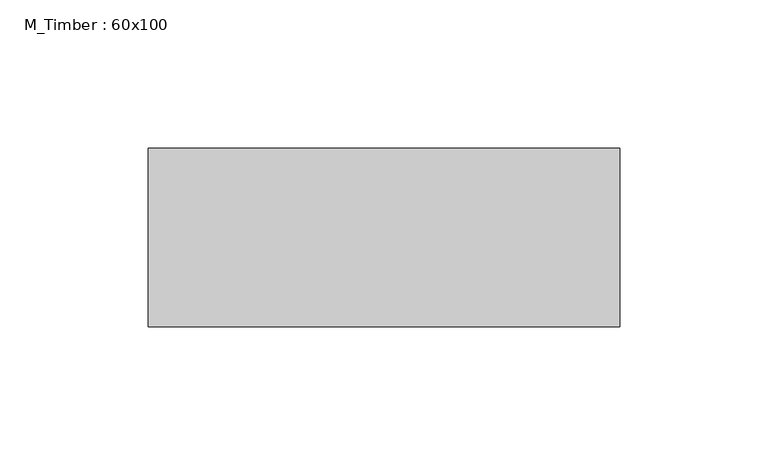
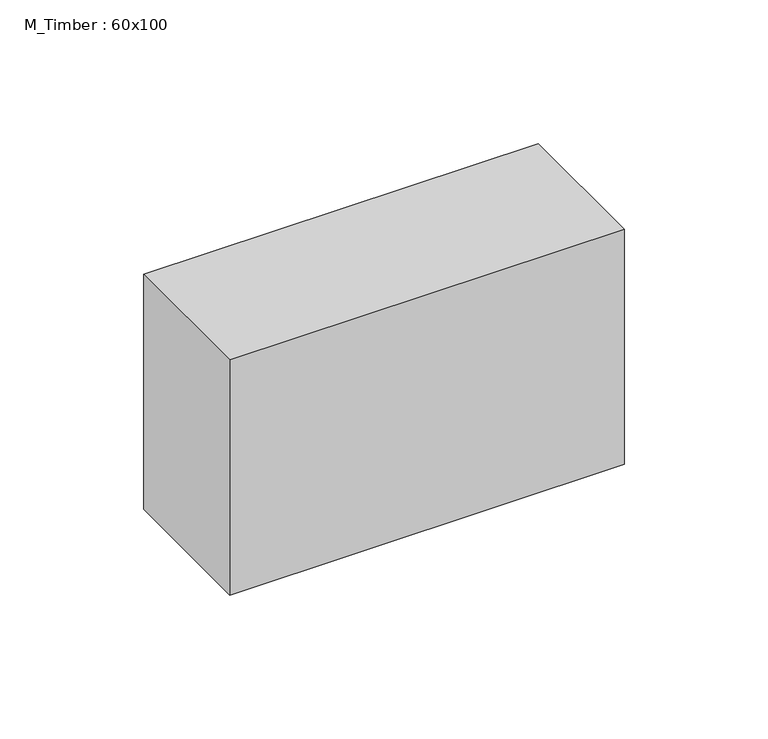
"""IFC4 building model written with IfcOpenShell, lengths in millimetres: beam geometry, M_Timber : 60x100."""

from ifc_helpers import new_model, si_unit, frame, origin, place, context, project, spatial, polyline, outline, extrude, source, transform, mapped, element, save


def m_timber_60x100_7a50a7e7(model_context):
    return source(origin(), model_context, "Body", "SweptSolid", [
        extrude(outline(polyline([(443.3793709, 30.0), (443.3793709, -30.0), (284.6453853, -30.0), (284.6453853, 30.0), (443.3793709, 30.0)])), frame((0.0, 0.0, -50.0), z_axis=(0.0, 0.0, 1.0), x_axis=(1.0, 0.0, 0.0)), (0.0, 0.0, 1.0), 100.0),
    ])


if __name__ == "__main__":
    model = new_model("IFC4")
    model_context = context("Model", 3, world=origin())
    ifc_project = project(units=[si_unit("LENGTHUNIT", "METRE", prefix="MILLI")], contexts=[model_context])
    site = spatial("IfcSite", under=ifc_project)
    building = spatial("IfcBuilding", under=site)
    placement = place(None, origin())
    m_timber_60x100_shape = m_timber_60x100_7a50a7e7(model_context)
    element("IfcBeam", 1, ObjectType="M_Timber : 60x100", at=placement, inside=building, context=model_context, shape_type="MappedRepresentation", body=[
        mapped(m_timber_60x100_shape, transform((0.0, 0.0, 0.0), x_axis=(1.0, 0.0, 0.0), y_axis=(0.0, 1.0, 0.0), z_axis=(0.0, 0.0, 1.0))),
    ])
    save(model, "model.ifc")
